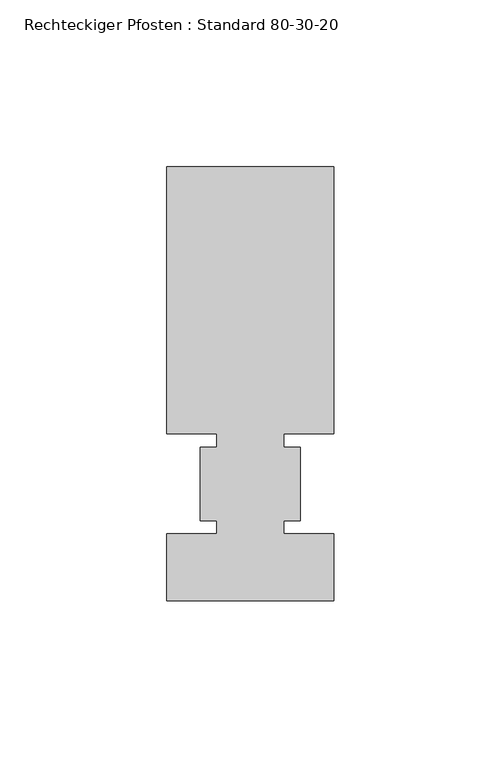
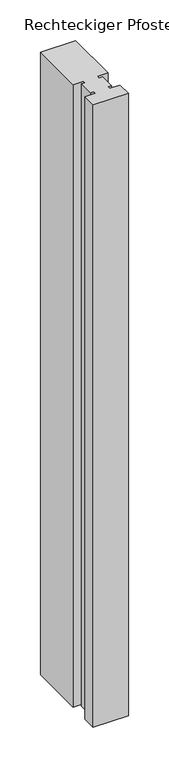
"""IFC4 building model written with IfcOpenShell, lengths in millimetres: member geometry, Rechteckiger Pfosten : Standard 80-30-20."""

from ifc_helpers import new_model, si_unit, frame, origin, place, context, project, spatial, polyline, outline, extrude, source, transform, mapped, element, save


def rechteckiger_pfosten_standard_80_30_20_e8be5726(model_context):
    return source(origin(), model_context, "Body", "SweptSolid", [
        extrude(outline(polyline([(-50.0, 95.0), (0.0, 95.0), (0.0, 15.0), (-15.0, 15.0), (-15.0, 11.0), (-10.0, 11.0), (-10.0, -11.0), (-15.0, -11.0), (-15.0, -15.0), (0.0, -15.0), (0.0, -35.0), (-50.0, -35.0), (-50.0, -15.0), (-35.0, -15.0), (-35.0, -11.0), (-40.0, -11.0), (-40.0, 11.0), (-35.0, 11.0), (-35.0, 15.0), (-50.0, 15.0), (-50.0, 95.0)])), frame((0.0, 0.0, -935.7142859), z_axis=(0.0, 0.0, 1.0), x_axis=(1.0, 0.0, 0.0)), (0.0, 0.0, 1.0), 935.7142859),
    ])


if __name__ == "__main__":
    model = new_model("IFC4")
    model_context = context("Model", 3, world=origin())
    ifc_project = project(units=[si_unit("LENGTHUNIT", "METRE", prefix="MILLI")], contexts=[model_context])
    site = spatial("IfcSite", under=ifc_project)
    building = spatial("IfcBuilding", under=site)
    placement = place(None, origin())
    rechteckiger_pfosten_standard_80_30_20_shape = rechteckiger_pfosten_standard_80_30_20_e8be5726(model_context)
    element("IfcMember", 1, ObjectType="Rechteckiger Pfosten : Standard 80-30-20", at=placement, inside=building, context=model_context, shape_type="MappedRepresentation", body=[
        mapped(rechteckiger_pfosten_standard_80_30_20_shape, transform((0.0, 0.0, 0.0), x_axis=(1.0, 0.0, 0.0), y_axis=(0.0, 1.0, 0.0), z_axis=(0.0, 0.0, 1.0))),
    ])
    save(model, "model.ifc")
